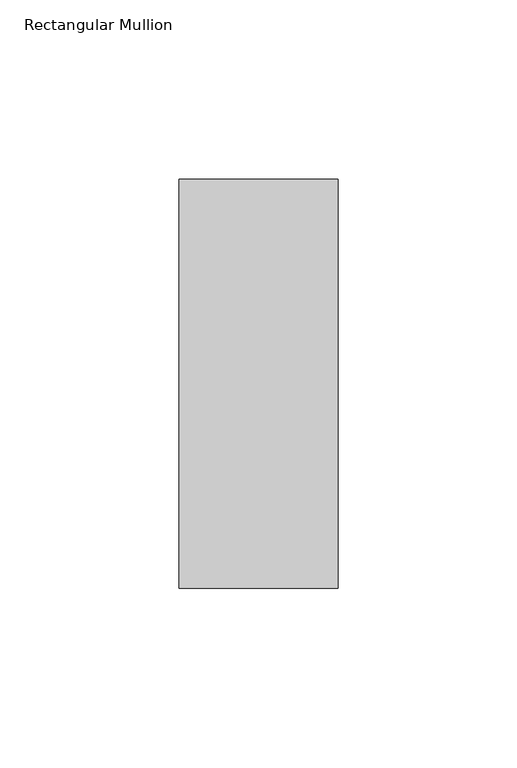
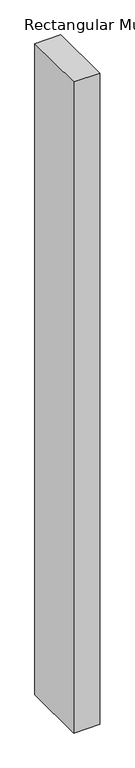
"""IFC4 building model written with IfcOpenShell, lengths in millimetres: member geometry, Rectangular Mullion."""

import ifcopenshell
import ifcopenshell.guid

model = None  # the IFC model being written
_history = None  # IfcOwnerHistory: only IFC2X3 demands one
_inside = {}  # id of a spatial element -> (the spatial element, [elements in it])
_under = {}  # id of a project, library or spatial element -> (it, [spatial elements below it])
_declared = {}  # id of a project -> (the project, [libraries it declares])
_typed = {}  # id of a type object -> (the type object, [elements of that type])
_made_of = {}  # id of a material, layer set ... -> (it, [elements and type objects made of it])


def new_model(schema):
    """Start an empty IFC model of exactly this schema.

    Asked for "IFC4X3", IfcOpenShell would pick the latest addendum, in which some entities
    have other attributes; the version numbers below select the first issue.
    IFC2X3 requires an IfcOwnerHistory on every rooted entity: one is made here for all.
    """
    global model, _history
    if schema == "IFC4X3":
        model = ifcopenshell.file(schema_version=(4, 3, 0, 0))
    else:
        model = ifcopenshell.file(schema=schema)
    _inside.clear()
    _under.clear()
    _declared.clear()
    _typed.clear()
    _made_of.clear()
    _history = None
    if model.schema == "IFC2X3":
        org = make("IfcOrganization", Name="unknown")
        user = make(
            "IfcPersonAndOrganization",
            ThePerson=make("IfcPerson", FamilyName="unknown"),
            TheOrganization=org,
        )
        app = make(
            "IfcApplication",
            ApplicationDeveloper=org,
            Version="unknown",
            ApplicationFullName="unknown",
            ApplicationIdentifier="unknown",
        )
        _history = make(
            "IfcOwnerHistory",
            OwningUser=user,
            OwningApplication=app,
            ChangeAction="ADDED",
            CreationDate=0,
        )
    return model


def make(cls, **values):
    """One entity of the class cls with the attributes given. An attribute that is None is left unset."""
    return model.create_entity(
        cls, **{name: value for name, value in values.items() if value is not None}
    )


def rooted(cls, **values):
    """An entity with a GlobalId (a new one), such as an element, a storey or a relation."""
    return make(cls, GlobalId=ifcopenshell.guid.new(), OwnerHistory=_history, **values)


def si_unit(unit_type, name, prefix=None):
    """IfcSIUnit, for example si_unit("LENGTHUNIT", "METRE", prefix="MILLI")."""
    return make("IfcSIUnit", UnitType=unit_type, Prefix=prefix, Name=name)


def assignment(units):
    """IfcUnitAssignment: the units of a project."""
    return None if units is None else make("IfcUnitAssignment", Units=units)


def point(xyz):
    """IfcCartesianPoint."""
    return None if xyz is None else make("IfcCartesianPoint", Coordinates=xyz)


def direction(xyz):
    """IfcDirection."""
    return None if xyz is None else make("IfcDirection", DirectionRatios=xyz)


def frame(location, z_axis=None, x_axis=None):
    """IfcAxis2Placement3D, a coordinate frame: its origin and axes. An axis left out is left unset."""
    return make(
        "IfcAxis2Placement3D",
        Location=point(location),
        Axis=direction(z_axis),
        RefDirection=direction(x_axis),
    )


def origin():
    """The frame at (0, 0, 0) with its axes left unset."""
    return frame((0.0, 0.0, 0.0))


def place(relative_to, where):
    """IfcLocalPlacement: puts the frame where relative to a parent placement (None: the world)."""
    return make(
        "IfcLocalPlacement", PlacementRelTo=relative_to, RelativePlacement=where
    )


def context(
    kind, dimensions, precision=None, world=None, true_north=None, identifier=None
):
    """IfcGeometricRepresentationContext, for example the 3D "Model" context."""
    return make(
        "IfcGeometricRepresentationContext",
        ContextIdentifier=identifier,
        ContextType=kind,
        CoordinateSpaceDimension=dimensions,
        Precision=precision,
        WorldCoordinateSystem=world,
        TrueNorth=true_north,
    )


def project(units=None, contexts=None):
    """IfcProject with its units and contexts."""
    return rooted(
        "IfcProject",
        Name="project",
        RepresentationContexts=contexts,
        UnitsInContext=assignment(units),
    )


def spatial(cls, under=None, at=None, **own):
    """A site, building, storey or space (cls), placed at a placement, below another one or the project."""
    s = rooted(cls, ObjectPlacement=at, **own)
    if under is not None:
        _under.setdefault(under.id(), (under, []))[1].append(s)
    return s


def polyline(points):
    """IfcPolyline through the points."""
    return make("IfcPolyline", Points=[point(p) for p in points])


def outline(outer, holes=None, kind="AREA"):
    """IfcArbitraryClosedProfileDef: a profile drawn as a closed curve; with holes, ...WithVoids."""
    if holes is None:
        return make("IfcArbitraryClosedProfileDef", ProfileType=kind, OuterCurve=outer)
    return make(
        "IfcArbitraryProfileDefWithVoids",
        ProfileType=kind,
        OuterCurve=outer,
        InnerCurves=holes,
    )


def extrude(swept, where, along, depth):
    """IfcExtrudedAreaSolid: the profile swept, set in the frame where, extruded along a direction by depth."""
    return make(
        "IfcExtrudedAreaSolid",
        SweptArea=swept,
        Position=where,
        ExtrudedDirection=direction(along),
        Depth=depth,
    )


def shape(context_of_items, identifier, shape_type, items):
    """IfcShapeRepresentation: the items that make up one representation, for example the "Body"."""
    return make(
        "IfcShapeRepresentation",
        ContextOfItems=context_of_items,
        RepresentationIdentifier=identifier,
        RepresentationType=shape_type,
        Items=items,
    )


def source(mapping_origin, context_of_items, identifier, shape_type, items):
    """IfcRepresentationMap: a shape defined once, which mapped items show again and again."""
    return make(
        "IfcRepresentationMap",
        MappingOrigin=mapping_origin,
        MappedRepresentation=shape(context_of_items, identifier, shape_type, items),
    )


def transform(
    local_origin,
    x_axis=None,
    y_axis=None,
    z_axis=None,
    scale=None,
    scale2=None,
    scale3=None,
    uniform=True,
):
    """IfcCartesianTransformationOperator3D, or its non-uniform kind. x_axis, y_axis, z_axis: its Axis1, 2, 3."""
    if uniform:
        return make(
            "IfcCartesianTransformationOperator3D",
            Axis1=direction(x_axis),
            Axis2=direction(y_axis),
            LocalOrigin=point(local_origin),
            Scale=scale,
            Axis3=direction(z_axis),
        )
    return make(
        "IfcCartesianTransformationOperator3DnonUniform",
        Axis1=direction(x_axis),
        Axis2=direction(y_axis),
        LocalOrigin=point(local_origin),
        Scale=scale,
        Axis3=direction(z_axis),
        Scale2=scale2,
        Scale3=scale3,
    )


def mapped(mapping_source, mapping_target):
    """IfcMappedItem: shows the shape of a source again, moved by a transform."""
    return make(
        "IfcMappedItem", MappingSource=mapping_source, MappingTarget=mapping_target
    )


def made_of(thing, what):
    """Note that an element or type object is made of a material, layer set ...; save() writes the relation."""
    if what is not None:
        _made_of.setdefault(what.id(), (what, []))[1].append(thing)
    return thing


def element(
    cls,
    number,
    at=None,
    inside=None,
    cuts=None,
    type_object=None,
    material=None,
    context=None,
    identifier="Body",
    shape_type=None,
    held_by="IfcProductDefinitionShape",
    body=None,
    shapes=None,
    **own,
):
    """One element of the class cls, such as IfcWall. Its Tag is "e" and its number.

    at: its placement. inside: the storey or other place that contains it. cuts: it is an
    opening in that element (IfcRelVoidsElement). A single representation is given by context,
    identifier, shape_type and body (its items); several are given by shapes. held_by: the class
    of the entity that holds the representations. save() writes the other relations.
    """
    e = rooted(cls, Tag="e%d" % number, ObjectPlacement=at, **own)
    if body is not None:
        shapes = [shape(context, identifier, shape_type, body)]
    if shapes is not None:
        e.Representation = make(held_by, Representations=shapes)
    if inside is not None:
        _inside.setdefault(inside.id(), (inside, []))[1].append(e)
    if cuts is not None:
        rooted(
            "IfcRelVoidsElement", RelatingBuildingElement=cuts, RelatedOpeningElement=e
        )
    if type_object is not None:
        _typed.setdefault(type_object.id(), (type_object, []))[1].append(e)
    return made_of(e, material)


def aggregate(whole, parts):
    """IfcRelAggregates: a whole, such as a stair, and the parts it consists of."""
    return rooted("IfcRelAggregates", RelatingObject=whole, RelatedObjects=parts)


def save(model, path):
    """Write the relations noted so far, then the file.

    IfcRelAggregates (storeys below a building ...), IfcRelContainedInSpatialStructure (elements
    in a storey), IfcRelDefinesByType, IfcRelAssociatesMaterial and IfcRelDeclares: one each for
    every whole, place, type object, material and project.
    """
    for whole, parts in _under.values():
        aggregate(whole, parts)
    for where, things in _inside.values():
        rooted(
            "IfcRelContainedInSpatialStructure",
            RelatedElements=things,
            RelatingStructure=where,
        )
    for kind, things in _typed.values():
        rooted("IfcRelDefinesByType", RelatedObjects=things, RelatingType=kind)
    for what, things in _made_of.values():
        rooted("IfcRelAssociatesMaterial", RelatedObjects=things, RelatingMaterial=what)
    for by, libraries in _declared.values():
        rooted("IfcRelDeclares", RelatingContext=by, RelatedDefinitions=libraries)
    model.write(path)


def rectangular_mullion_4aa44828(model_context):
    return source(origin(), model_context, "Body", "SweptSolid", [
        extrude(outline(polyline([(22.225, 57.1373), (22.225, -57.1373), (-22.225, -57.1373), (-22.225, 57.1373), (22.225, 57.1373)])), frame((0.0, 0.0, -1174.75), z_axis=(0.0, 0.0, 1.0), x_axis=(1.0, 0.0, 0.0)), (0.0, 0.0, 1.0), 1174.75),
    ])


if __name__ == "__main__":
    model = new_model("IFC4")
    model_context = context("Model", 3, world=origin())
    ifc_project = project(units=[si_unit("LENGTHUNIT", "METRE", prefix="MILLI")], contexts=[model_context])
    site = spatial("IfcSite", under=ifc_project)
    building = spatial("IfcBuilding", under=site)
    placement = place(None, origin())
    rectangular_mullion_shape = rectangular_mullion_4aa44828(model_context)
    element("IfcMember", 1, ObjectType="Rectangular Mullion", at=placement, inside=building, context=model_context, shape_type="MappedRepresentation", body=[
        mapped(rectangular_mullion_shape, transform((0.0, 0.0, 0.0), x_axis=(1.0, 0.0, 0.0), y_axis=(0.0, 1.0, 0.0), z_axis=(0.0, 0.0, 1.0))),
    ])
    save(model, "model.ifc")
